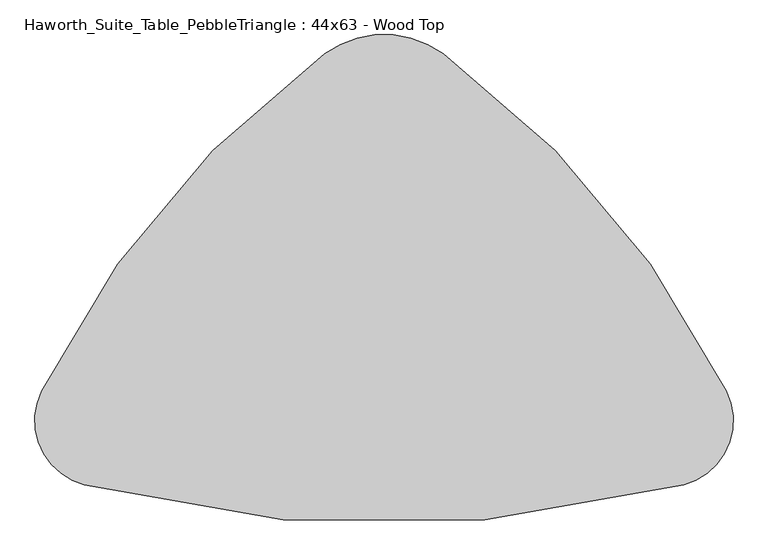
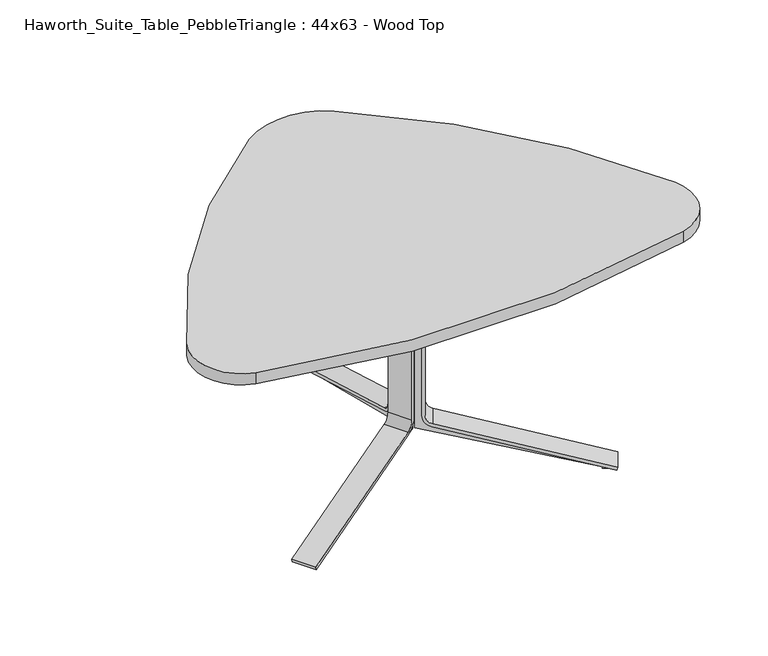
"""IFC4 building model written with IfcOpenShell, lengths in millimetres: furniture geometry, Haworth_Suite_Table_PebbleTriangle : 44x63 - Wood Top."""

from ifc_helpers import new_model, si_unit, point, frame, frame_2d, origin, place, context, project, spatial, polyline, circle_curve, trimmed, segment, composite_curve, outline, extrude, source, transform, mapped, element, save


def haworth_suite_table_pebbletriangle_44x63_wood_top_e8cdb088(model_context):
    return source(origin(), model_context, "Body", "SweptSolid", [
        extrude(outline(composite_curve([segment(polyline([(-269.3436324, 0.0), (-295.5330754, 5.8726591), (-44.1875449, 20.7494046)]), True, "CONTINUOUS"), segment(trimmed(circle_curve(frame_2d((-46.438684, 58.7828422)), 38.1), [point((-44.1875449, 20.7494046))], [point((-9.2618925, 50.446406))], True, "CARTESIAN"), True, "CONTINUOUS"), segment(polyline([(-9.2618925, 50.446406), (82.3027309, 458.7838346)]), True, "CONTINUOUS"), segment(trimmed(circle_curve(frame_2d((45.1259393, 467.1202708)), 38.1), [point((82.3027309, 458.7838346))], [point((63.4019806, 500.5507407))], True, "CARTESIAN"), True, "CONTINUOUS"), segment(polyline([(63.4019806, 500.5507407), (-393.0670035, 750.0969211), (-391.6775969, 756.2930555), (-363.1013705, 749.8851897), (-364.1289314, 745.3027257), (112.9884974, 503.8783626), (0.0, 0.0), (-269.3436324, 0.0)]), True, "CONTINUOUS")], self_intersect=False)), frame((-15.5441472, -673.435421, 652.2665091), z_axis=(-0.49999999999999856, 0.8660254037844395, 0.0), x_axis=(0.8450405756685904, 0.4878844038384151, -0.21880409951582677)), (0.0, 0.0, 1.0), 47.625),
        extrude(outline(composite_curve([segment(polyline([(27.4680529, -36.4513375), (174.0095606, 474.5996329), (183.1655841, 471.9741854), (36.3672848, -39.0934672)]), True, "CONTINUOUS"), segment(trimmed(circle_curve(frame_2d((-0.2519977, -28.575)), 38.1), [point((36.3672848, -39.0934672))], [point((-0.2519977, -66.675))], False, "CARTESIAN"), True, "CONTINUOUS"), segment(polyline([(-0.2519977, -66.675), (-418.7296385, -66.675)]), True, "CONTINUOUS"), segment(trimmed(circle_curve(frame_2d((-418.7296385, -28.575)), 38.1), [point((-418.7296385, -66.675))], [point((-455.3489221, -39.0934634))], False, "CARTESIAN"), True, "CONTINUOUS"), segment(polyline([(-455.3489221, -39.0934634), (-523.3798781, 197.7514787)]), True, "CONTINUOUS"), segment(trimmed(circle_curve(frame_2d((-486.7605946, 208.2699421)), 38.1), [point((-523.3798781, 197.7514787))], [point((-524.8605946, 208.2699421))], False, "CARTESIAN"), True, "CONTINUOUS"), segment(polyline([(-524.8605946, 208.2699421), (-524.8605946, 303.1768115), (-515.3355946, 303.1768115), (-515.3355946, 210.0197483)]), True, "CONTINUOUS"), segment(trimmed(circle_curve(frame_2d((-477.2355946, 210.0197483)), 38.1), [point((-515.3355946, 210.0197483))], [point((-513.8596652, 199.5179651))], True, "CARTESIAN"), True, "CONTINUOUS"), segment(polyline([(-513.8596652, 199.5179651), (-446.1965565, -36.4513375)]), True, "CONTINUOUS"), segment(trimmed(circle_curve(frame_2d((-418.7285036, -28.575)), 28.575), [point((-446.1965565, -36.4513375))], [point((-418.7285036, -57.15))], True, "CARTESIAN"), True, "CONTINUOUS"), segment(polyline([(-418.7285036, -57.15), (0.0, -57.15)]), True, "CONTINUOUS"), segment(trimmed(circle_curve(frame_2d((0.0, -28.575)), 28.575), [point((0.0, -57.15))], [point((27.4680529, -36.4513375))], True, "CARTESIAN"), True, "CONTINUOUS")], self_intersect=False)), frame((-83.5284008, -729.1839321, 186.3393812), z_axis=(-0.4999999999999986, 0.8660254037844395, 0.0), x_axis=(0.0, 0.0, -1.0)), (0.0, 0.0, 1.0), 76.2),
        extrude(outline(composite_curve([segment(polyline([(-269.3436324, 0.0), (0.0, 0.0), (112.9884974, -503.8783626), (-364.1289314, -745.3027257), (-363.1013705, -749.8851897), (-391.6775969, -756.2930555), (-393.0670035, -750.0969211), (63.4019806, -500.5507407)]), True, "CONTINUOUS"), segment(trimmed(circle_curve(frame_2d((45.1259393, -467.1202708)), 38.1), [point((63.4019806, -500.5507407))], [point((82.3027309, -458.7838346))], True, "CARTESIAN"), True, "CONTINUOUS"), segment(polyline([(82.3027309, -458.7838346), (-9.2618925, -50.446406)]), True, "CONTINUOUS"), segment(trimmed(circle_curve(frame_2d((-46.438684, -58.7828422)), 38.1), [point((-9.2618925, -50.446406))], [point((-44.1875449, -20.7494046))], True, "CARTESIAN"), True, "CONTINUOUS"), segment(polyline([(-44.1875449, -20.7494046), (-295.5330754, -5.8726591), (-269.3436324, 0.0)]), True, "CONTINUOUS")], self_intersect=False)), frame((-9.8558528, -673.435421, 652.2665091), z_axis=(0.49999999999999856, 0.8660254037844395, 0.0), x_axis=(-0.8450405756685904, 0.4878844038384151, -0.21880409951582677)), (0.0, 0.0, 1.0), 47.625),
        extrude(outline(composite_curve([segment(trimmed(circle_curve(frame_2d((0.0, 28.575)), 28.575), [point((27.4680529, 36.4513375))], [point((0.0, 57.15))], True, "CARTESIAN"), True, "CONTINUOUS"), segment(polyline([(0.0, 57.15), (-418.7285036, 57.15)]), True, "CONTINUOUS"), segment(trimmed(circle_curve(frame_2d((-418.7285036, 28.575)), 28.575), [point((-418.7285036, 57.15))], [point((-446.1965565, 36.4513375))], True, "CARTESIAN"), True, "CONTINUOUS"), segment(polyline([(-446.1965565, 36.4513375), (-513.8596652, -199.5179651)]), True, "CONTINUOUS"), segment(trimmed(circle_curve(frame_2d((-477.2355946, -210.0197483)), 38.1), [point((-513.8596652, -199.5179651))], [point((-515.3355946, -210.0197483))], True, "CARTESIAN"), True, "CONTINUOUS"), segment(polyline([(-515.3355946, -210.0197483), (-515.3355946, -303.1768115), (-524.8605946, -303.1768115), (-524.8605946, -208.2699421)]), True, "CONTINUOUS"), segment(trimmed(circle_curve(frame_2d((-486.7605946, -208.2699421)), 38.1), [point((-524.8605946, -208.2699421))], [point((-523.3798781, -197.7514787))], False, "CARTESIAN"), True, "CONTINUOUS"), segment(polyline([(-523.3798781, -197.7514787), (-455.3489221, 39.0934634)]), True, "CONTINUOUS"), segment(trimmed(circle_curve(frame_2d((-418.7296385, 28.575)), 38.1), [point((-455.3489221, 39.0934634))], [point((-418.7296385, 66.675))], False, "CARTESIAN"), True, "CONTINUOUS"), segment(polyline([(-418.7296385, 66.675), (-0.2519977, 66.675)]), True, "CONTINUOUS"), segment(trimmed(circle_curve(frame_2d((-0.2519977, 28.575)), 38.1), [point((-0.2519977, 66.675))], [point((36.3672848, 39.0934672))], False, "CARTESIAN"), True, "CONTINUOUS"), segment(polyline([(36.3672848, 39.0934672), (183.1655841, -471.9741854), (174.0095606, -474.5996329), (27.4680529, 36.4513375)]), True, "CONTINUOUS")], self_intersect=False)), frame((58.1284008, -729.1839321, 186.3393812), z_axis=(0.4999999999999986, 0.8660254037844395, 0.0), x_axis=(0.0, 0.0, -1.0)), (0.0, 0.0, 1.0), 76.2),
        extrude(outline(composite_curve([segment(polyline([(-364.4476386, 711.2), (-337.6078352, 711.2), (-579.6078709, 641.6883033)]), True, "CONTINUOUS"), segment(trimmed(circle_curve(frame_2d((-569.0894074, 605.0690197)), 38.1), [point((-579.6078709, 641.6883033))], [point((-607.1894074, 605.0690197))], True, "CARTESIAN"), True, "CONTINUOUS"), segment(polyline([(-607.1894074, 605.0690197), (-607.1894074, 186.5913789)]), True, "CONTINUOUS"), segment(trimmed(circle_curve(frame_2d((-569.0894074, 186.5913789)), 38.1), [point((-607.1894074, 186.5913789))], [point((-579.6078747, 149.9720964))], True, "CARTESIAN"), True, "CONTINUOUS"), segment(polyline([(-579.6078747, 149.9720964), (-79.5979509, 6.3500025), (-79.5979509, 0.0), (-108.8838087, 0.0), (-108.8838087, 4.69626), (-627.2647536, 135.8753736), (-627.2647536, 652.2665091), (-364.4476386, 711.2)]), True, "CONTINUOUS")], self_intersect=False)), frame((-36.5125, 0.0, 0.0), z_axis=(1.0, 0.0, 0.0), x_axis=(0.0, 1.0, 0.0)), (0.0, 0.0, 1.0), 47.625),
        extrude(outline(composite_curve([segment(polyline([(-576.9657449, 158.8713283), (-65.9147745, 12.3298206), (-68.540222, 3.1737971), (-579.6078747, 149.9720964)]), True, "CONTINUOUS"), segment(trimmed(circle_curve(frame_2d((-569.0894074, 186.5913789)), 38.1), [point((-579.6078747, 149.9720964))], [point((-607.1894074, 186.5913789))], False, "CARTESIAN"), True, "CONTINUOUS"), segment(polyline([(-607.1894074, 186.5913789), (-607.1894074, 605.0690197)]), True, "CONTINUOUS"), segment(trimmed(circle_curve(frame_2d((-569.0894074, 605.0690197)), 38.1), [point((-607.1894074, 605.0690197))], [point((-579.6078709, 641.6883033))], False, "CARTESIAN"), True, "CONTINUOUS"), segment(polyline([(-579.6078709, 641.6883033), (-342.7629288, 709.7192593)]), True, "CONTINUOUS"), segment(trimmed(circle_curve(frame_2d((-332.2444653, 673.0999758)), 38.1), [point((-342.7629288, 709.7192593))], [point((-332.2444653, 711.1999758))], False, "CARTESIAN"), True, "CONTINUOUS"), segment(polyline([(-332.2444653, 711.1999758), (-237.3375959, 711.1999758), (-237.3375959, 701.6749758), (-330.4946591, 701.6749758)]), True, "CONTINUOUS"), segment(trimmed(circle_curve(frame_2d((-330.4946591, 663.5749758)), 38.1), [point((-330.4946591, 701.6749758))], [point((-340.9964424, 700.1990464))], True, "CARTESIAN"), True, "CONTINUOUS"), segment(polyline([(-340.9964424, 700.1990464), (-576.9657449, 632.5359377)]), True, "CONTINUOUS"), segment(trimmed(circle_curve(frame_2d((-569.0894074, 605.0678848)), 28.575), [point((-576.9657449, 632.5359377))], [point((-597.6644074, 605.0678848))], True, "CARTESIAN"), True, "CONTINUOUS"), segment(polyline([(-597.6644074, 605.0678848), (-597.6644074, 186.3393812)]), True, "CONTINUOUS"), segment(trimmed(circle_curve(frame_2d((-569.0894074, 186.3393812)), 28.575), [point((-597.6644074, 186.3393812))], [point((-576.9657449, 158.8713283))], True, "CARTESIAN"), True, "CONTINUOUS")], self_intersect=False)), frame((-50.8, 0.0, 0.0), z_axis=(1.0, 0.0, 0.0), x_axis=(0.0, 1.0, 0.0)), (0.0, 0.0, 1.0), 76.2),
        extrude(outline(composite_curve([segment(trimmed(circle_curve(frame_2d((1100.2160645, -1701.357716)), 2110.2079312), [point((-792.3394683, -767.9708357))], [point((-147.9102147, 0.1587559))], False, "CARTESIAN"), True, "CONTINUOUS"), segment(trimmed(circle_curve(frame_2d((-12.7, -184.1674708)), 228.6), [point((-147.9102147, 0.1587559))], [point((122.5102147, 0.1587559))], False, "CARTESIAN"), True, "CONTINUOUS"), segment(trimmed(circle_curve(frame_2d((-1125.6160645, -1701.357716)), 2110.2079312), [point((122.5102147, 0.1587559))], [point((766.9124695, -767.9160943))], False, "CARTESIAN"), True, "CONTINUOUS"), segment(trimmed(circle_curve(frame_2d((630.2333563, -835.3295947)), 152.4), [point((766.9124695, -767.9160943))], [point((669.5010307, -982.5838298))], False, "CARTESIAN"), True, "CONTINUOUS"), segment(trimmed(circle_curve(frame_2d((-12.8077672, 1576.0820917)), 2648.0779054), [point((669.5010307, -982.5838298))], [point((-694.9144475, -982.6377191))], False, "CARTESIAN"), True, "CONTINUOUS"), segment(trimmed(circle_curve(frame_2d((-655.6584053, -835.3803826)), 152.4), [point((-694.9144475, -982.6377191))], [point((-792.3394683, -767.9708357))], False, "CARTESIAN"), True, "CONTINUOUS")], self_intersect=False)), frame((0.0, 0.0, 711.2), z_axis=(0.0, 0.0, 1.0), x_axis=(1.0, 0.0, 0.0)), (0.0, 0.0, 1.0), 38.1),
    ])


if __name__ == "__main__":
    model = new_model("IFC4")
    model_context = context("Model", 3, world=origin())
    ifc_project = project(units=[si_unit("LENGTHUNIT", "METRE", prefix="MILLI")], contexts=[model_context])
    site = spatial("IfcSite", under=ifc_project)
    building = spatial("IfcBuilding", under=site)
    placement = place(None, origin())
    haworth_suite_table_pebbletriangle_44x63_wood_top_shape = haworth_suite_table_pebbletriangle_44x63_wood_top_e8cdb088(model_context)
    element("IfcFurniture", 1, ObjectType="Haworth_Suite_Table_PebbleTriangle : 44x63 - Wood Top", at=placement, inside=building, context=model_context, shape_type="MappedRepresentation", body=[
        mapped(haworth_suite_table_pebbletriangle_44x63_wood_top_shape, transform((0.0, 0.0, 0.0), x_axis=(1.0, 0.0, 0.0), y_axis=(0.0, 1.0, 0.0), z_axis=(0.0, 0.0, 1.0))),
    ])
    save(model, "model.ifc")
